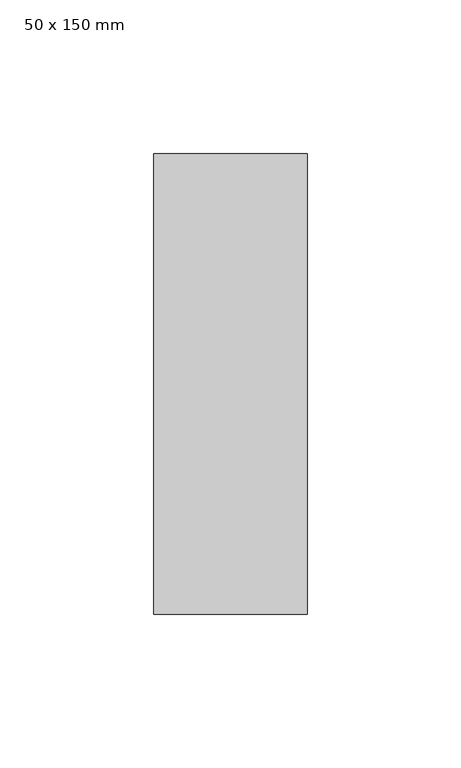
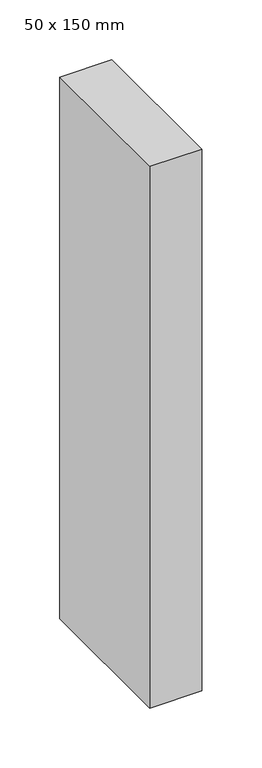
"""IFC4 building model written with IfcOpenShell, lengths in millimetres: member geometry, 50 x 150 mm."""

from ifc_helpers import new_model, si_unit, frame, origin, place, context, project, spatial, polyline, outline, extrude, source, transform, mapped, element, save


def member_50_x_150_mm_acb57a2c(model_context):
    return source(origin(), model_context, "Body", "SweptSolid", [
        extrude(outline(polyline([(25.0, 75.0), (25.0, -75.0), (-25.0, -75.0), (-25.0, 75.0), (25.0, 75.0)])), frame((0.0, 0.0, -551.9756315), z_axis=(0.0, 0.0, 1.0), x_axis=(1.0, 0.0, 0.0)), (0.0, 0.0, 1.0), 551.9756315),
    ])


if __name__ == "__main__":
    model = new_model("IFC4")
    model_context = context("Model", 3, world=origin())
    ifc_project = project(units=[si_unit("LENGTHUNIT", "METRE", prefix="MILLI")], contexts=[model_context])
    site = spatial("IfcSite", under=ifc_project)
    building = spatial("IfcBuilding", under=site)
    placement = place(None, origin())
    member_50_x_150_mm_shape = member_50_x_150_mm_acb57a2c(model_context)
    element("IfcMember", 1, ObjectType="50 x 150 mm", at=placement, inside=building, context=model_context, shape_type="MappedRepresentation", body=[
        mapped(member_50_x_150_mm_shape, transform((0.0, 0.0, 0.0), x_axis=(1.0, 0.0, 0.0), y_axis=(0.0, 1.0, 0.0), z_axis=(0.0, 0.0, 1.0))),
    ])
    save(model, "model.ifc")
